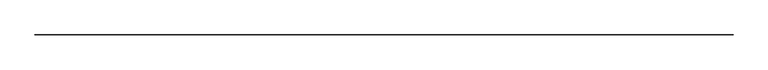
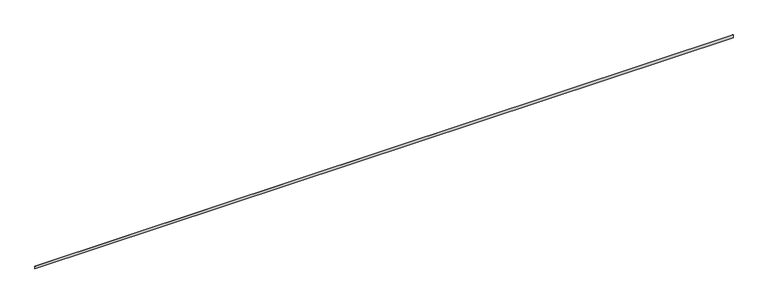
"""IFC4 building model written with IfcOpenShell, lengths in millimetres: railing geometry."""

from ifc_helpers import new_model, si_unit, frame, origin, place, context, project, spatial, polyline, outline, extrude, source, transform, mapped, element, save


def railing_295a7d12(model_context):
    return source(origin(), model_context, "Body", "SweptSolid", [
        extrude(outline(polyline([(52263.5579619, 710.0543206), (52263.5579619, 636.1456794), (52261.5735869, 635.0), (52261.5735869, 711.2), (52263.5579619, 710.0543206)])), frame((6785.710694, 0.0, 0.0), z_axis=(1.0, 0.0, 0.0), x_axis=(0.0, 1.0, 0.0)), (0.0, 0.0, 1.0), 18288.0),
    ])


if __name__ == "__main__":
    model = new_model("IFC4")
    model_context = context("Model", 3, world=origin())
    ifc_project = project(units=[si_unit("LENGTHUNIT", "METRE", prefix="MILLI")], contexts=[model_context])
    site = spatial("IfcSite", under=ifc_project)
    building = spatial("IfcBuilding", under=site)
    placement = place(None, origin())
    railing_shape = railing_295a7d12(model_context)
    element("IfcRailing", 1, at=placement, inside=building, context=model_context, shape_type="MappedRepresentation", body=[
        mapped(railing_shape, transform((0.0, 0.0, 0.0), x_axis=(1.0, 0.0, 0.0), y_axis=(0.0, 1.0, 0.0), z_axis=(0.0, 0.0, 1.0))),
    ])
    save(model, "model.ifc")
